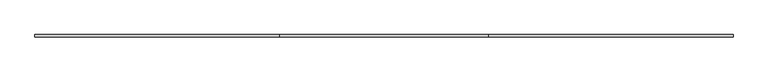
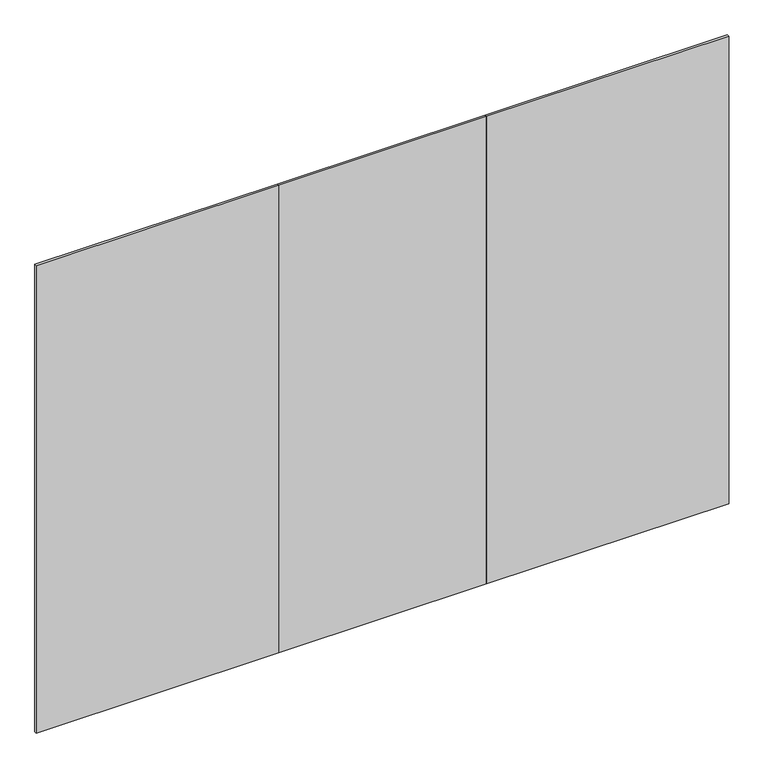
"""IFC4 building model written with IfcOpenShell, lengths in millimetres: furniture geometry."""

import ifcopenshell
import ifcopenshell.guid

model = None  # the IFC model being written
_history = None  # IfcOwnerHistory: only IFC2X3 demands one
_inside = {}  # id of a spatial element -> (the spatial element, [elements in it])
_under = {}  # id of a project, library or spatial element -> (it, [spatial elements below it])
_declared = {}  # id of a project -> (the project, [libraries it declares])
_typed = {}  # id of a type object -> (the type object, [elements of that type])
_made_of = {}  # id of a material, layer set ... -> (it, [elements and type objects made of it])


def new_model(schema):
    """Start an empty IFC model of exactly this schema.

    Asked for "IFC4X3", IfcOpenShell would pick the latest addendum, in which some entities
    have other attributes; the version numbers below select the first issue.
    IFC2X3 requires an IfcOwnerHistory on every rooted entity: one is made here for all.
    """
    global model, _history
    if schema == "IFC4X3":
        model = ifcopenshell.file(schema_version=(4, 3, 0, 0))
    else:
        model = ifcopenshell.file(schema=schema)
    _inside.clear()
    _under.clear()
    _declared.clear()
    _typed.clear()
    _made_of.clear()
    _history = None
    if model.schema == "IFC2X3":
        org = make("IfcOrganization", Name="unknown")
        user = make(
            "IfcPersonAndOrganization",
            ThePerson=make("IfcPerson", FamilyName="unknown"),
            TheOrganization=org,
        )
        app = make(
            "IfcApplication",
            ApplicationDeveloper=org,
            Version="unknown",
            ApplicationFullName="unknown",
            ApplicationIdentifier="unknown",
        )
        _history = make(
            "IfcOwnerHistory",
            OwningUser=user,
            OwningApplication=app,
            ChangeAction="ADDED",
            CreationDate=0,
        )
    return model


def make(cls, **values):
    """One entity of the class cls with the attributes given. An attribute that is None is left unset."""
    return model.create_entity(
        cls, **{name: value for name, value in values.items() if value is not None}
    )


def rooted(cls, **values):
    """An entity with a GlobalId (a new one), such as an element, a storey or a relation."""
    return make(cls, GlobalId=ifcopenshell.guid.new(), OwnerHistory=_history, **values)


def si_unit(unit_type, name, prefix=None):
    """IfcSIUnit, for example si_unit("LENGTHUNIT", "METRE", prefix="MILLI")."""
    return make("IfcSIUnit", UnitType=unit_type, Prefix=prefix, Name=name)


def assignment(units):
    """IfcUnitAssignment: the units of a project."""
    return None if units is None else make("IfcUnitAssignment", Units=units)


def point(xyz):
    """IfcCartesianPoint."""
    return None if xyz is None else make("IfcCartesianPoint", Coordinates=xyz)


def direction(xyz):
    """IfcDirection."""
    return None if xyz is None else make("IfcDirection", DirectionRatios=xyz)


def frame(location, z_axis=None, x_axis=None):
    """IfcAxis2Placement3D, a coordinate frame: its origin and axes. An axis left out is left unset."""
    return make(
        "IfcAxis2Placement3D",
        Location=point(location),
        Axis=direction(z_axis),
        RefDirection=direction(x_axis),
    )


def origin():
    """The frame at (0, 0, 0) with its axes left unset."""
    return frame((0.0, 0.0, 0.0))


def place(relative_to, where):
    """IfcLocalPlacement: puts the frame where relative to a parent placement (None: the world)."""
    return make(
        "IfcLocalPlacement", PlacementRelTo=relative_to, RelativePlacement=where
    )


def context(
    kind, dimensions, precision=None, world=None, true_north=None, identifier=None
):
    """IfcGeometricRepresentationContext, for example the 3D "Model" context."""
    return make(
        "IfcGeometricRepresentationContext",
        ContextIdentifier=identifier,
        ContextType=kind,
        CoordinateSpaceDimension=dimensions,
        Precision=precision,
        WorldCoordinateSystem=world,
        TrueNorth=true_north,
    )


def project(units=None, contexts=None):
    """IfcProject with its units and contexts."""
    return rooted(
        "IfcProject",
        Name="project",
        RepresentationContexts=contexts,
        UnitsInContext=assignment(units),
    )


def spatial(cls, under=None, at=None, **own):
    """A site, building, storey or space (cls), placed at a placement, below another one or the project."""
    s = rooted(cls, ObjectPlacement=at, **own)
    if under is not None:
        _under.setdefault(under.id(), (under, []))[1].append(s)
    return s


def polyline(points):
    """IfcPolyline through the points."""
    return make("IfcPolyline", Points=[point(p) for p in points])


def outline(outer, holes=None, kind="AREA"):
    """IfcArbitraryClosedProfileDef: a profile drawn as a closed curve; with holes, ...WithVoids."""
    if holes is None:
        return make("IfcArbitraryClosedProfileDef", ProfileType=kind, OuterCurve=outer)
    return make(
        "IfcArbitraryProfileDefWithVoids",
        ProfileType=kind,
        OuterCurve=outer,
        InnerCurves=holes,
    )


def extrude(swept, where, along, depth):
    """IfcExtrudedAreaSolid: the profile swept, set in the frame where, extruded along a direction by depth."""
    return make(
        "IfcExtrudedAreaSolid",
        SweptArea=swept,
        Position=where,
        ExtrudedDirection=direction(along),
        Depth=depth,
    )


def shape(context_of_items, identifier, shape_type, items):
    """IfcShapeRepresentation: the items that make up one representation, for example the "Body"."""
    return make(
        "IfcShapeRepresentation",
        ContextOfItems=context_of_items,
        RepresentationIdentifier=identifier,
        RepresentationType=shape_type,
        Items=items,
    )


def source(mapping_origin, context_of_items, identifier, shape_type, items):
    """IfcRepresentationMap: a shape defined once, which mapped items show again and again."""
    return make(
        "IfcRepresentationMap",
        MappingOrigin=mapping_origin,
        MappedRepresentation=shape(context_of_items, identifier, shape_type, items),
    )


def transform(
    local_origin,
    x_axis=None,
    y_axis=None,
    z_axis=None,
    scale=None,
    scale2=None,
    scale3=None,
    uniform=True,
):
    """IfcCartesianTransformationOperator3D, or its non-uniform kind. x_axis, y_axis, z_axis: its Axis1, 2, 3."""
    if uniform:
        return make(
            "IfcCartesianTransformationOperator3D",
            Axis1=direction(x_axis),
            Axis2=direction(y_axis),
            LocalOrigin=point(local_origin),
            Scale=scale,
            Axis3=direction(z_axis),
        )
    return make(
        "IfcCartesianTransformationOperator3DnonUniform",
        Axis1=direction(x_axis),
        Axis2=direction(y_axis),
        LocalOrigin=point(local_origin),
        Scale=scale,
        Axis3=direction(z_axis),
        Scale2=scale2,
        Scale3=scale3,
    )


def mapped(mapping_source, mapping_target):
    """IfcMappedItem: shows the shape of a source again, moved by a transform."""
    return make(
        "IfcMappedItem", MappingSource=mapping_source, MappingTarget=mapping_target
    )


def made_of(thing, what):
    """Note that an element or type object is made of a material, layer set ...; save() writes the relation."""
    if what is not None:
        _made_of.setdefault(what.id(), (what, []))[1].append(thing)
    return thing


def element(
    cls,
    number,
    at=None,
    inside=None,
    cuts=None,
    type_object=None,
    material=None,
    context=None,
    identifier="Body",
    shape_type=None,
    held_by="IfcProductDefinitionShape",
    body=None,
    shapes=None,
    **own,
):
    """One element of the class cls, such as IfcWall. Its Tag is "e" and its number.

    at: its placement. inside: the storey or other place that contains it. cuts: it is an
    opening in that element (IfcRelVoidsElement). A single representation is given by context,
    identifier, shape_type and body (its items); several are given by shapes. held_by: the class
    of the entity that holds the representations. save() writes the other relations.
    """
    e = rooted(cls, Tag="e%d" % number, ObjectPlacement=at, **own)
    if body is not None:
        shapes = [shape(context, identifier, shape_type, body)]
    if shapes is not None:
        e.Representation = make(held_by, Representations=shapes)
    if inside is not None:
        _inside.setdefault(inside.id(), (inside, []))[1].append(e)
    if cuts is not None:
        rooted(
            "IfcRelVoidsElement", RelatingBuildingElement=cuts, RelatedOpeningElement=e
        )
    if type_object is not None:
        _typed.setdefault(type_object.id(), (type_object, []))[1].append(e)
    return made_of(e, material)


def aggregate(whole, parts):
    """IfcRelAggregates: a whole, such as a stair, and the parts it consists of."""
    return rooted("IfcRelAggregates", RelatingObject=whole, RelatedObjects=parts)


def save(model, path):
    """Write the relations noted so far, then the file.

    IfcRelAggregates (storeys below a building ...), IfcRelContainedInSpatialStructure (elements
    in a storey), IfcRelDefinesByType, IfcRelAssociatesMaterial and IfcRelDeclares: one each for
    every whole, place, type object, material and project.
    """
    for whole, parts in _under.values():
        aggregate(whole, parts)
    for where, things in _inside.values():
        rooted(
            "IfcRelContainedInSpatialStructure",
            RelatedElements=things,
            RelatingStructure=where,
        )
    for kind, things in _typed.values():
        rooted("IfcRelDefinesByType", RelatedObjects=things, RelatingType=kind)
    for what, things in _made_of.values():
        rooted("IfcRelAssociatesMaterial", RelatedObjects=things, RelatingMaterial=what)
    for by, libraries in _declared.values():
        rooted("IfcRelDeclares", RelatingContext=by, RelatedDefinitions=libraries)
    model.write(path)


def furniture_143753e4(model_context):
    return source(origin(), model_context, "Body", "SweptSolid", [
        extrude(outline(polyline([(1066.8, -4.7752), (0.0, -4.7752), (0.0, 4.7498), (1066.8, 4.7498), (1066.8, -4.7752)])), frame((0.0, 0.0, 12.7), z_axis=(0.0, 0.0, 1.0), x_axis=(1.0, 0.0, 0.0)), (0.0, 0.0, 1.0), 2173.6010468),
        extrude(outline(polyline([(3048.0, -4.7752), (1981.2, -4.7752), (1981.2, 4.7498), (3048.0, 4.7498), (3048.0, -4.7752)])), frame((0.0, 0.0, 12.7), z_axis=(0.0, 0.0, 1.0), x_axis=(1.0, 0.0, 0.0)), (0.0, 0.0, 1.0), 2173.6010468),
        extrude(outline(polyline([(1981.2, -4.7752), (1066.8, -4.7752), (1066.8, 4.7498), (1981.2, 4.7498), (1981.2, -4.7752)])), frame((0.0, 0.0, 12.7), z_axis=(0.0, 0.0, 1.0), x_axis=(1.0, 0.0, 0.0)), (0.0, 0.0, 1.0), 2173.6010468),
    ])


if __name__ == "__main__":
    model = new_model("IFC4")
    model_context = context("Model", 3, world=origin())
    ifc_project = project(units=[si_unit("LENGTHUNIT", "METRE", prefix="MILLI")], contexts=[model_context])
    site = spatial("IfcSite", under=ifc_project)
    building = spatial("IfcBuilding", under=site)
    placement = place(None, origin())
    furniture_shape = furniture_143753e4(model_context)
    element("IfcFurniture", 1, at=placement, inside=building, context=model_context, shape_type="MappedRepresentation", body=[
        mapped(furniture_shape, transform((0.0, 0.0, 0.0), x_axis=(1.0, 0.0, 0.0), y_axis=(0.0, 1.0, 0.0), z_axis=(0.0, 0.0, 1.0))),
    ])
    save(model, "model.ifc")
